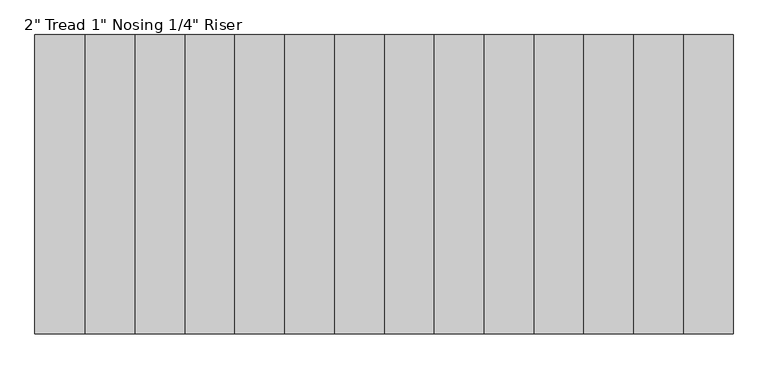
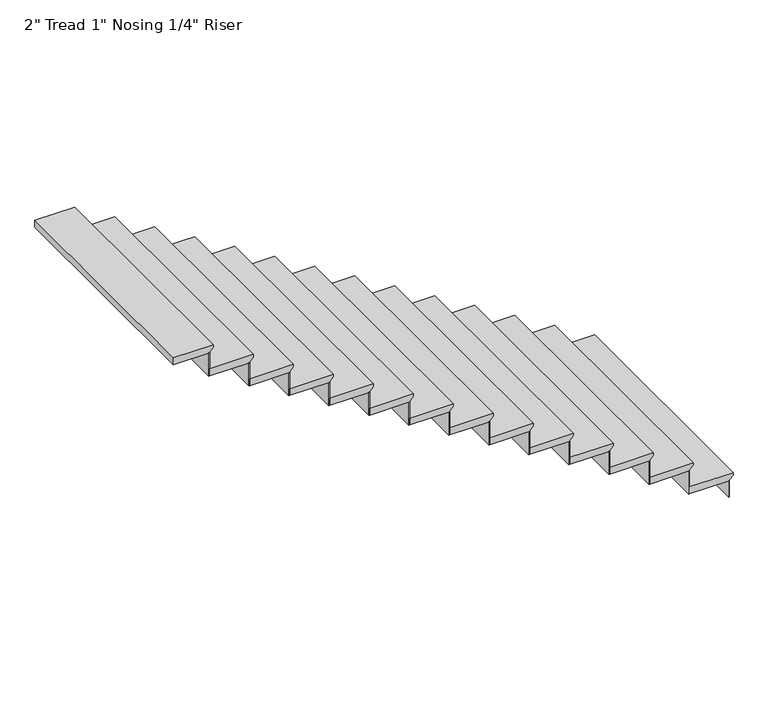
"""IFC4 building model written with IfcOpenShell, lengths in millimetres: stair flight geometry."""

from ifc_helpers import new_model, si_unit, frame, origin, origin_with_axes, place, context, project, spatial, polyline, outline, extrude, source, transform, mapped, element, save


def stair_flight_94c08612(model_context):
    return source(origin(), model_context, "Body", "SweptSolid", [
        extrude(outline(polyline([(170.5428571, -329120.8422848), (170.5428571, -329425.6422848), (119.7428571, -329425.6422848), (119.7428571, -329146.2422848), (126.0928571, -329146.2422848), (151.4928571, -329120.8422848), (170.5428571, -329120.8422848)])), frame((0.0, 196687.1350981, 0.0), z_axis=(0.0, 1.0, 0.0), x_axis=(0.0, 0.0, 1.0)), (0.0, 0.0, 1.0), 1676.4),
        extrude(outline(polyline([(-329152.5922848, 198363.5350981), (-329146.2422848, 198363.5350981), (-329146.2422848, 196687.1350981), (-329152.5922848, 196687.1350981), (-329152.5922848, 198363.5350981)])), origin_with_axes(), (0.0, 0.0, 1.0), 119.7428571),
        extrude(outline(polyline([(-329431.9922848, 198363.5350981), (-329425.6422848, 198363.5350981), (-329425.6422848, 196687.1350981), (-329431.9922848, 196687.1350981), (-329431.9922848, 198363.5350981)])), frame((0.0, 0.0, 119.7428571), z_axis=(0.0, 0.0, 1.0), x_axis=(1.0, 0.0, 0.0)), (0.0, 0.0, 1.0), 170.5428571),
        extrude(outline(polyline([(341.0857143, -329400.2422848), (341.0857143, -329705.0422848), (290.2857143, -329705.0422848), (290.2857143, -329425.6422848), (296.6357143, -329425.6422848), (322.0357143, -329400.2422848), (341.0857143, -329400.2422848)])), frame((0.0, 196687.1350981, 0.0), z_axis=(0.0, 1.0, 0.0), x_axis=(0.0, 0.0, 1.0)), (0.0, 0.0, 1.0), 1676.4),
        extrude(outline(polyline([(-329711.3922848, 198363.5350981), (-329705.0422848, 198363.5350981), (-329705.0422848, 196687.1350981), (-329711.3922848, 196687.1350981), (-329711.3922848, 198363.5350981)])), frame((0.0, 0.0, 290.2857143), z_axis=(0.0, 0.0, 1.0), x_axis=(1.0, 0.0, 0.0)), (0.0, 0.0, 1.0), 170.5428571),
        extrude(outline(polyline([(511.6285714, -329679.6422848), (511.6285714, -329984.4422848), (460.8285714, -329984.4422848), (460.8285714, -329705.0422848), (467.1785714, -329705.0422848), (492.5785714, -329679.6422848), (511.6285714, -329679.6422848)])), frame((0.0, 196687.1350981, 0.0), z_axis=(0.0, 1.0, 0.0), x_axis=(0.0, 0.0, 1.0)), (0.0, 0.0, 1.0), 1676.4),
        extrude(outline(polyline([(-329990.7922848, 198363.5350981), (-329984.4422848, 198363.5350981), (-329984.4422848, 196687.1350981), (-329990.7922848, 196687.1350981), (-329990.7922848, 198363.5350981)])), frame((0.0, 0.0, 460.8285714), z_axis=(0.0, 0.0, 1.0), x_axis=(1.0, 0.0, 0.0)), (0.0, 0.0, 1.0), 170.5428571),
        extrude(outline(polyline([(682.1714286, -329959.0422848), (682.1714286, -330263.8422848), (631.3714286, -330263.8422848), (631.3714286, -329984.4422848), (637.7214286, -329984.4422848), (663.1214286, -329959.0422848), (682.1714286, -329959.0422848)])), frame((0.0, 196687.1350981, 0.0), z_axis=(0.0, 1.0, 0.0), x_axis=(0.0, 0.0, 1.0)), (0.0, 0.0, 1.0), 1676.4),
        extrude(outline(polyline([(-330270.1922848, 198363.5350981), (-330263.8422848, 198363.5350981), (-330263.8422848, 196687.1350981), (-330270.1922848, 196687.1350981), (-330270.1922848, 198363.5350981)])), frame((0.0, 0.0, 631.3714286), z_axis=(0.0, 0.0, 1.0), x_axis=(1.0, 0.0, 0.0)), (0.0, 0.0, 1.0), 170.5428571),
        extrude(outline(polyline([(852.7142857, -330238.4422848), (852.7142857, -330543.2422848), (801.9142857, -330543.2422848), (801.9142857, -330263.8422848), (808.2642857, -330263.8422848), (833.6642857, -330238.4422848), (852.7142857, -330238.4422848)])), frame((0.0, 196687.1350981, 0.0), z_axis=(0.0, 1.0, 0.0), x_axis=(0.0, 0.0, 1.0)), (0.0, 0.0, 1.0), 1676.4),
        extrude(outline(polyline([(-330549.5922848, 198363.5350981), (-330543.2422848, 198363.5350981), (-330543.2422848, 196687.1350981), (-330549.5922848, 196687.1350981), (-330549.5922848, 198363.5350981)])), frame((0.0, 0.0, 801.9142857), z_axis=(0.0, 0.0, 1.0), x_axis=(1.0, 0.0, 0.0)), (0.0, 0.0, 1.0), 170.5428571),
        extrude(outline(polyline([(1023.2571429, -330517.8422848), (1023.2571429, -330822.6422848), (972.4571429, -330822.6422848), (972.4571429, -330543.2422848), (978.8071429, -330543.2422848), (1004.2071429, -330517.8422848), (1023.2571429, -330517.8422848)])), frame((0.0, 196687.1350981, 0.0), z_axis=(0.0, 1.0, 0.0), x_axis=(0.0, 0.0, 1.0)), (0.0, 0.0, 1.0), 1676.4),
        extrude(outline(polyline([(-330828.9922848, 198363.5350981), (-330822.6422848, 198363.5350981), (-330822.6422848, 196687.1350981), (-330828.9922848, 196687.1350981), (-330828.9922848, 198363.5350981)])), frame((0.0, 0.0, 972.4571429), z_axis=(0.0, 0.0, 1.0), x_axis=(1.0, 0.0, 0.0)), (0.0, 0.0, 1.0), 170.5428571),
        extrude(outline(polyline([(1193.8, -330797.2422848), (1193.8, -331102.0422848), (1143.0, -331102.0422848), (1143.0, -330822.6422848), (1149.35, -330822.6422848), (1174.75, -330797.2422848), (1193.8, -330797.2422848)])), frame((0.0, 196687.1350981, 0.0), z_axis=(0.0, 1.0, 0.0), x_axis=(0.0, 0.0, 1.0)), (0.0, 0.0, 1.0), 1676.4),
        extrude(outline(polyline([(-331108.3922848, 198363.5350981), (-331102.0422848, 198363.5350981), (-331102.0422848, 196687.1350981), (-331108.3922848, 196687.1350981), (-331108.3922848, 198363.5350981)])), frame((0.0, 0.0, 1143.0), z_axis=(0.0, 0.0, 1.0), x_axis=(1.0, 0.0, 0.0)), (0.0, 0.0, 1.0), 170.5428571),
        extrude(outline(polyline([(1364.3428571, -331076.6422848), (1364.3428571, -331381.4422848), (1313.5428571, -331381.4422848), (1313.5428571, -331102.0422848), (1319.8928571, -331102.0422848), (1345.2928571, -331076.6422848), (1364.3428571, -331076.6422848)])), frame((0.0, 196687.1350981, 0.0), z_axis=(0.0, 1.0, 0.0), x_axis=(0.0, 0.0, 1.0)), (0.0, 0.0, 1.0), 1676.4),
        extrude(outline(polyline([(-331387.7922848, 198363.5350981), (-331381.4422848, 198363.5350981), (-331381.4422848, 196687.1350981), (-331387.7922848, 196687.1350981), (-331387.7922848, 198363.5350981)])), frame((0.0, 0.0, 1313.5428571), z_axis=(0.0, 0.0, 1.0), x_axis=(1.0, 0.0, 0.0)), (0.0, 0.0, 1.0), 170.5428571),
        extrude(outline(polyline([(1534.8857143, -331356.0422848), (1534.8857143, -331660.8422848), (1484.0857143, -331660.8422848), (1484.0857143, -331381.4422848), (1490.4357143, -331381.4422848), (1515.8357143, -331356.0422848), (1534.8857143, -331356.0422848)])), frame((0.0, 196687.1350981, 0.0), z_axis=(0.0, 1.0, 0.0), x_axis=(0.0, 0.0, 1.0)), (0.0, 0.0, 1.0), 1676.4),
        extrude(outline(polyline([(-331667.1922848, 198363.5350981), (-331660.8422848, 198363.5350981), (-331660.8422848, 196687.1350981), (-331667.1922848, 196687.1350981), (-331667.1922848, 198363.5350981)])), frame((0.0, 0.0, 1484.0857143), z_axis=(0.0, 0.0, 1.0), x_axis=(1.0, 0.0, 0.0)), (0.0, 0.0, 1.0), 170.5428571),
        extrude(outline(polyline([(1705.4285714, -331635.4422848), (1705.4285714, -331940.2422848), (1654.6285714, -331940.2422848), (1654.6285714, -331660.8422848), (1660.9785714, -331660.8422848), (1686.3785714, -331635.4422848), (1705.4285714, -331635.4422848)])), frame((0.0, 196687.1350981, 0.0), z_axis=(0.0, 1.0, 0.0), x_axis=(0.0, 0.0, 1.0)), (0.0, 0.0, 1.0), 1676.4),
        extrude(outline(polyline([(-331946.5922848, 198363.5350981), (-331940.2422848, 198363.5350981), (-331940.2422848, 196687.1350981), (-331946.5922848, 196687.1350981), (-331946.5922848, 198363.5350981)])), frame((0.0, 0.0, 1654.6285714), z_axis=(0.0, 0.0, 1.0), x_axis=(1.0, 0.0, 0.0)), (0.0, 0.0, 1.0), 170.5428571),
        extrude(outline(polyline([(1875.9714286, -331914.8422848), (1875.9714286, -332219.6422848), (1825.1714286, -332219.6422848), (1825.1714286, -331940.2422848), (1831.5214286, -331940.2422848), (1856.9214286, -331914.8422848), (1875.9714286, -331914.8422848)])), frame((0.0, 196687.1350981, 0.0), z_axis=(0.0, 1.0, 0.0), x_axis=(0.0, 0.0, 1.0)), (0.0, 0.0, 1.0), 1676.4),
        extrude(outline(polyline([(-332225.9922848, 198363.5350981), (-332219.6422848, 198363.5350981), (-332219.6422848, 196687.1350981), (-332225.9922848, 196687.1350981), (-332225.9922848, 198363.5350981)])), frame((0.0, 0.0, 1825.1714286), z_axis=(0.0, 0.0, 1.0), x_axis=(1.0, 0.0, 0.0)), (0.0, 0.0, 1.0), 170.5428571),
        extrude(outline(polyline([(2046.5142857, -332194.2422848), (2046.5142857, -332499.0422848), (1995.7142857, -332499.0422848), (1995.7142857, -332219.6422848), (2002.0642857, -332219.6422848), (2027.4642857, -332194.2422848), (2046.5142857, -332194.2422848)])), frame((0.0, 196687.1350981, 0.0), z_axis=(0.0, 1.0, 0.0), x_axis=(0.0, 0.0, 1.0)), (0.0, 0.0, 1.0), 1676.4),
        extrude(outline(polyline([(-332505.3922848, 198363.5350981), (-332499.0422848, 198363.5350981), (-332499.0422848, 196687.1350981), (-332505.3922848, 196687.1350981), (-332505.3922848, 198363.5350981)])), frame((0.0, 0.0, 1995.7142857), z_axis=(0.0, 0.0, 1.0), x_axis=(1.0, 0.0, 0.0)), (0.0, 0.0, 1.0), 170.5428571),
        extrude(outline(polyline([(2217.0571429, -332473.6422848), (2217.0571429, -332778.4422848), (2166.2571429, -332778.4422848), (2166.2571429, -332499.0422848), (2172.6071429, -332499.0422848), (2198.0071429, -332473.6422848), (2217.0571429, -332473.6422848)])), frame((0.0, 196687.1350981, 0.0), z_axis=(0.0, 1.0, 0.0), x_axis=(0.0, 0.0, 1.0)), (0.0, 0.0, 1.0), 1676.4),
        extrude(outline(polyline([(-332784.7922848, 198363.5350981), (-332778.4422848, 198363.5350981), (-332778.4422848, 196687.1350981), (-332784.7922848, 196687.1350981), (-332784.7922848, 198363.5350981)])), frame((0.0, 0.0, 2166.2571429), z_axis=(0.0, 0.0, 1.0), x_axis=(1.0, 0.0, 0.0)), (0.0, 0.0, 1.0), 170.5428571),
        extrude(outline(polyline([(2387.6, -332753.0422848), (2387.6, -333032.4422848), (2336.8, -333032.4422848), (2336.8, -332778.4422848), (2343.15, -332778.4422848), (2368.55, -332753.0422848), (2387.6, -332753.0422848)])), frame((0.0, 196687.1350981, 0.0), z_axis=(0.0, 1.0, 0.0), x_axis=(0.0, 0.0, 1.0)), (0.0, 0.0, 1.0), 1676.4),
    ])


if __name__ == "__main__":
    model = new_model("IFC4")
    model_context = context("Model", 3, world=origin())
    ifc_project = project(units=[si_unit("LENGTHUNIT", "METRE", prefix="MILLI")], contexts=[model_context])
    site = spatial("IfcSite", under=ifc_project)
    building = spatial("IfcBuilding", under=site)
    placement = place(None, origin())
    stair_flight_shape = stair_flight_94c08612(model_context)
    element("IfcStairFlight", 1, ObjectType="2\" Tread 1\" Nosing 1/4\" Riser", at=placement, inside=building, context=model_context, shape_type="MappedRepresentation", body=[
        mapped(stair_flight_shape, transform((0.0, 0.0, 0.0), x_axis=(1.0, 0.0, 0.0), y_axis=(0.0, 1.0, 0.0), z_axis=(0.0, 0.0, 1.0))),
    ])
    save(model, "model.ifc")
